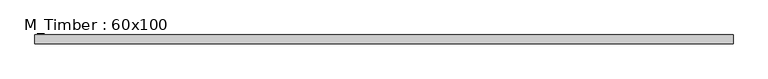
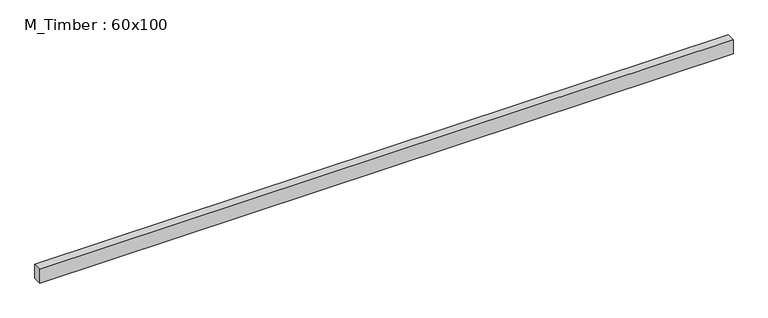
"""IFC4 building model written with IfcOpenShell, lengths in millimetres: beam geometry, M_Timber : 60x100."""

from ifc_helpers import new_model, si_unit, frame, origin, place, context, project, spatial, polyline, outline, extrude, source, transform, mapped, element, save


def m_timber_60x100_db8b496a(model_context):
    return source(origin(), model_context, "Body", "SweptSolid", [
        extrude(outline(polyline([(2304.1387138, 30.0), (2304.1387138, -30.0), (-2497.473394, -30.0), (-2497.473394, 30.0), (2304.1387138, 30.0)])), frame((0.0, 0.0, -50.0), z_axis=(0.0, 0.0, 1.0), x_axis=(1.0, 0.0, 0.0)), (0.0, 0.0, 1.0), 100.0),
    ])


if __name__ == "__main__":
    model = new_model("IFC4")
    model_context = context("Model", 3, world=origin())
    ifc_project = project(units=[si_unit("LENGTHUNIT", "METRE", prefix="MILLI")], contexts=[model_context])
    site = spatial("IfcSite", under=ifc_project)
    building = spatial("IfcBuilding", under=site)
    placement = place(None, origin())
    m_timber_60x100_shape = m_timber_60x100_db8b496a(model_context)
    element("IfcBeam", 1, ObjectType="M_Timber : 60x100", at=placement, inside=building, context=model_context, shape_type="MappedRepresentation", body=[
        mapped(m_timber_60x100_shape, transform((0.0, 0.0, 0.0), x_axis=(1.0, 0.0, 0.0), y_axis=(0.0, 1.0, 0.0), z_axis=(0.0, 0.0, 1.0))),
    ])
    save(model, "model.ifc")
